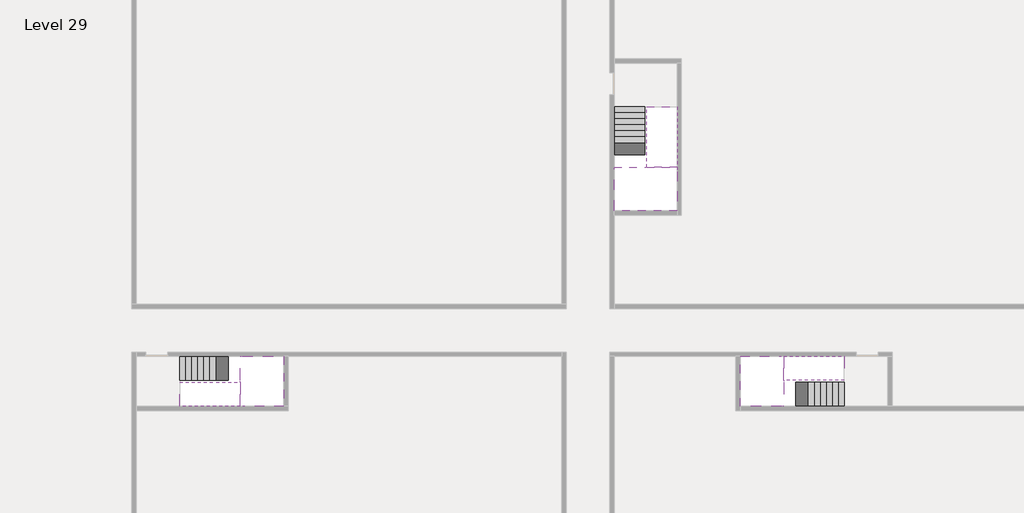
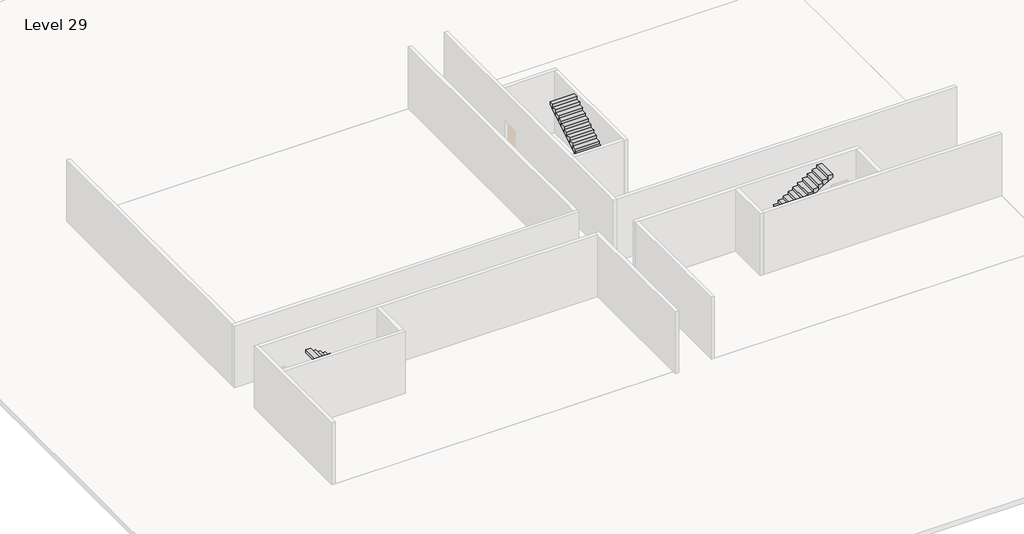
# One storey, part 2 of 2: 6 stair flights, 3 slabs.
"""IFC4 building model written with IfcOpenShell, lengths in millimetres."""

from ifc_helpers import new_model, si_unit, origin, place, context, project, spatial, faceted_brep, element, save

model = new_model("IFC4")

# Units and contexts
model_context = context("Model", 3, world=origin())
ifc_project = project(units=[si_unit("LENGTHUNIT", "METRE", prefix="MILLI")], contexts=[model_context])

# Site, building, storey
site = spatial("IfcSite", under=ifc_project)
building = spatial("IfcBuilding", under=site)
storey = spatial("IfcBuildingStorey", under=building, Name="Level 29", Elevation=106400.0)

# Slabs
placement = place(None, origin())
element("IfcSlab", 1, at=placement, inside=storey, context=model_context, shape_type="Brep", body=[
    faceted_brep([(8190.1058784, -42918.09644, 108300.0), (8190.1058784, -44018.09644, 108300.0), (8190.1058784, -44118.09644, 108300.0), (8190.1058784, -45218.09644, 108300.0), (8390.7194421, -45218.09644, 108300.0), (10190.1058784, -45218.09644, 108300.0), (10190.1058784, -42918.09644, 108300.0), (8269.4923146, -42918.09644, 108300.0), (8190.1058784, -42918.09644, 108127.2727273), (8190.1058784, -42918.09644, 107951.0278478), (8190.1058784, -44018.09644, 107951.0278478), (8190.1058784, -44018.09644, 108000.0), (8190.1058784, -44118.09644, 108000.0), (8190.1058784, -44118.09644, 108123.7551205), (8190.1058784, -45218.09644, 108123.7551205), (8390.7194421, -45218.09644, 108000.0), (10190.1058784, -45218.09644, 108000.0), (10190.1058784, -42918.09644, 108000.0), (8269.4923146, -42918.09644, 108000.0), (8390.7194421, -44118.09644, 108000.0), (8269.4923146, -44018.09644, 108000.0)], [[[0, 1, 2, 3, 4, 5, 6, 7]], [[1, 0, 8, 9, 10, 11]], [[2, 1, 11, 12, 13]], [[3, 2, 13, 14]], [[3, 14, 15, 16, 5, 4]], [[6, 5, 16, 17]], [[9, 8, 0, 7, 6, 17, 18]], [[19, 12, 11, 20, 18, 17, 16, 15]], [[12, 19, 13]], [[18, 20, 10, 9]], [[20, 11, 10]], [[19, 15, 14, 13]]]),
])
element("IfcSlab", 2, at=placement, inside=storey, context=model_context, shape_type="Brep", body=[
    faceted_brep([(33190.1058784, -45218.09644, 108300.0), (33190.1058784, -44118.09644, 108300.0), (33190.1058784, -44018.09644, 108300.0), (33190.1058784, -42918.09644, 108300.0), (32989.4923146, -42918.09644, 108300.0), (31190.1058784, -42918.09644, 108300.0), (31190.1058784, -45218.09644, 108300.0), (33110.7194421, -45218.09644, 108300.0), (33190.1058784, -45218.09644, 108127.2727273), (33190.1058784, -45218.09644, 107951.0278478), (33190.1058784, -44118.09644, 107951.0278478), (33190.1058784, -44118.09644, 108000.0), (33190.1058784, -44018.09644, 108000.0), (33190.1058784, -44018.09644, 108123.7551205), (33190.1058784, -42918.09644, 108123.7551205), (32989.4923146, -42918.09644, 108000.0), (31190.1058784, -42918.09644, 108000.0), (31190.1058784, -45218.09644, 108000.0), (33110.7194421, -45218.09644, 108000.0), (32989.4923146, -44018.09644, 108000.0), (33110.7194421, -44118.09644, 108000.0)], [[[0, 1, 2, 3, 4, 5, 6, 7]], [[1, 0, 8, 9, 10, 11]], [[2, 1, 11, 12, 13]], [[3, 2, 13, 14]], [[3, 14, 15, 16, 5, 4]], [[6, 5, 16, 17]], [[9, 8, 0, 7, 6, 17, 18]], [[19, 12, 11, 20, 18, 17, 16, 15]], [[12, 19, 13]], [[18, 20, 10, 9]], [[20, 11, 10]], [[19, 15, 14, 13]]]),
])
element("IfcSlab", 3, at=placement, inside=storey, context=model_context, shape_type="Brep", body=[
    faceted_brep([(26790.1058784, -34218.09644, 108300.0), (25390.1058784, -34218.09644, 108300.0), (25390.1058784, -34297.4828763, 108300.0), (25390.1058784, -36218.09644, 108300.0), (28290.1058784, -36218.09644, 108300.0), (28290.1058784, -34418.7100038, 108300.0), (28290.1058784, -34218.09644, 108300.0), (26890.1058784, -34218.09644, 108300.0), (26790.1058784, -34218.09644, 108000.0), (26790.1058784, -34218.09644, 107951.0278478), (25390.1058784, -34218.09644, 107951.0278478), (25390.1058784, -34218.09644, 108127.2727273), (25390.1058784, -34297.4828763, 108000.0), (25390.1058784, -36218.09644, 108000.0), (28290.1058784, -36218.09644, 108000.0), (28290.1058784, -34418.7100038, 108000.0), (28290.1058784, -34218.09644, 108123.7551205), (26890.1058784, -34218.09644, 108123.7551205), (26890.1058784, -34218.09644, 108000.0), (26890.1058784, -34418.7100038, 108000.0), (26790.1058784, -34297.4828763, 108000.0)], [[[0, 1, 2, 3, 4, 5, 6, 7]], [[1, 0, 8, 9, 10, 11]], [[1, 11, 10, 12, 13, 3, 2]], [[4, 3, 13, 14]], [[4, 14, 15, 16, 6, 5]], [[7, 6, 16, 17]], [[0, 7, 17, 18, 8]], [[18, 19, 15, 14, 13, 12, 20, 8]], [[19, 18, 17]], [[20, 12, 10, 9]], [[8, 20, 9]], [[15, 19, 17, 16]]]),
])

# Stair flights
element("IfcStairFlight", 4, at=placement, inside=storey, context=model_context, shape_type="Brep", body=[
    faceted_brep([(5670.1058784, -42918.09644, 106572.7272727), (5390.1058784, -42918.09644, 106572.7272727), (5390.1058784, -44018.09644, 106572.7272727), (5670.1058784, -44018.09644, 106572.7272727), (5670.1058784, -42918.09644, 106400.0), (5390.1058784, -42918.09644, 106400.0), (5390.1058784, -44018.09644, 106400.0), (5670.1058784, -44018.09644, 106400.0), (5950.1058784, -42918.09644, 106745.4545455), (5670.1058784, -42918.09644, 106745.4545455), (5670.1058784, -44018.09644, 106745.4545455), (5950.1058784, -44018.09644, 106745.4545455), (5950.1058784, -42918.09644, 106569.209666), (5675.8081041, -42918.09644, 106400.0), (5675.8081041, -44018.09644, 106400.0), (5950.1058784, -44018.09644, 106569.209666), (6230.1058784, -42918.09644, 106918.1818182), (5950.1058784, -42918.09644, 106918.1818182), (5950.1058784, -44018.09644, 106918.1818182), (6230.1058784, -44018.09644, 106918.1818182), (6230.1058784, -42918.09644, 106741.9369387), (6230.1058784, -44018.09644, 106741.9369387), (6510.1058784, -42918.09644, 107090.9090909), (6230.1058784, -42918.09644, 107090.9090909), (6230.1058784, -44018.09644, 107090.9090909), (6510.1058784, -44018.09644, 107090.9090909), (6510.1058784, -42918.09644, 106914.6642114), (6510.1058784, -44018.09644, 106914.6642114), (6790.1058784, -42918.09644, 107263.6363636), (6510.1058784, -42918.09644, 107263.6363636), (6510.1058784, -44018.09644, 107263.6363636), (6790.1058784, -44018.09644, 107263.6363636), (6790.1058784, -42918.09644, 107087.3914841), (6790.1058784, -44018.09644, 107087.3914841), (7070.1058784, -42918.09644, 107436.3636364), (6790.1058784, -42918.09644, 107436.3636364), (6790.1058784, -44018.09644, 107436.3636364), (7070.1058784, -44018.09644, 107436.3636364), (7070.1058784, -42918.09644, 107260.1187569), (7070.1058784, -44018.09644, 107260.1187569), (7350.1058784, -42918.09644, 107609.0909091), (7070.1058784, -42918.09644, 107609.0909091), (7070.1058784, -44018.09644, 107609.0909091), (7350.1058784, -44018.09644, 107609.0909091), (7350.1058784, -42918.09644, 107432.8460296), (7350.1058784, -44018.09644, 107432.8460296), (7630.1058784, -42918.09644, 107781.8181818), (7350.1058784, -42918.09644, 107781.8181818), (7350.1058784, -44018.09644, 107781.8181818), (7630.1058784, -44018.09644, 107781.8181818), (7630.1058784, -42918.09644, 107605.5733023), (7630.1058784, -44018.09644, 107605.5733023), (7910.1058784, -42918.09644, 107954.5454545), (7630.1058784, -42918.09644, 107954.5454545), (7630.1058784, -44018.09644, 107954.5454545), (7910.1058784, -44018.09644, 107954.5454545), (7910.1058784, -42918.09644, 107778.3005751), (7910.1058784, -44018.09644, 107778.3005751), (8190.1058784, -42918.09644, 108127.2727273), (7910.1058784, -42918.09644, 108127.2727273), (7910.1058784, -44018.09644, 108127.2727273), (8190.1058784, -44018.09644, 108127.2727273), (8190.1058784, -42918.09644, 107951.0278478), (8190.1058784, -44018.09644, 107951.0278478), (8190.1058784, -44018.09644, 108000.0)], [[[0, 1, 2, 3]], [[1, 0, 4, 5]], [[2, 1, 5, 6]], [[3, 2, 6, 7]], [[8, 9, 10, 11]], [[4, 0, 9, 8, 12, 13]], [[0, 3, 10, 9]], [[3, 7, 14, 15, 11, 10]], [[16, 17, 18, 19]], [[17, 16, 20, 12, 8]], [[8, 11, 18, 17]], [[19, 18, 11, 15, 21]], [[22, 23, 24, 25]], [[23, 22, 26, 20, 16]], [[16, 19, 24, 23]], [[25, 24, 19, 21, 27]], [[28, 29, 30, 31]], [[29, 28, 32, 26, 22]], [[22, 25, 30, 29]], [[31, 30, 25, 27, 33]], [[34, 35, 36, 37]], [[35, 34, 38, 32, 28]], [[28, 31, 36, 35]], [[37, 36, 31, 33, 39]], [[40, 41, 42, 43]], [[41, 40, 44, 38, 34]], [[34, 37, 42, 41]], [[43, 42, 37, 39, 45]], [[46, 47, 48, 49]], [[47, 46, 50, 44, 40]], [[40, 43, 48, 47]], [[49, 48, 43, 45, 51]], [[52, 53, 54, 55]], [[53, 52, 56, 50, 46]], [[46, 49, 54, 53]], [[55, 54, 49, 51, 57]], [[58, 59, 60, 61]], [[59, 58, 62, 56, 52]], [[52, 55, 60, 59]], [[61, 60, 55, 57, 63, 64]], [[58, 61, 64, 63, 62]], [[5, 4, 13, 14, 7, 6]], [[14, 13, 12, 20, 26, 32, 38, 44, 50, 56, 62, 63, 57, 51, 45, 39, 33, 27, 21, 15]]]),
])
element("IfcStairFlight", 5, at=placement, inside=storey, context=model_context, shape_type="Brep", body=[
    faceted_brep([(7910.1058784, -45218.09644, 108472.7272727), (8190.1058784, -45218.09644, 108472.7272727), (8190.1058784, -44118.09644, 108472.7272727), (7910.1058784, -44118.09644, 108472.7272727), (7910.1058784, -45218.09644, 108296.4823932), (8190.1058784, -45218.09644, 108123.7551205), (8190.1058784, -45218.09644, 108300.0), (8190.1058784, -44118.09644, 108123.7551205), (7910.1058784, -44118.09644, 108296.4823932), (7630.1058784, -45218.09644, 108645.4545455), (7910.1058784, -45218.09644, 108645.4545455), (7910.1058784, -44118.09644, 108645.4545455), (7630.1058784, -44118.09644, 108645.4545455), (7630.1058784, -45218.09644, 108469.209666), (7630.1058784, -44118.09644, 108469.209666), (7350.1058784, -45218.09644, 108818.1818182), (7630.1058784, -45218.09644, 108818.1818182), (7630.1058784, -44118.09644, 108818.1818182), (7350.1058784, -44118.09644, 108818.1818182), (7350.1058784, -45218.09644, 108641.9369387), (7350.1058784, -44118.09644, 108641.9369387), (7070.1058784, -45218.09644, 108990.9090909), (7350.1058784, -45218.09644, 108990.9090909), (7350.1058784, -44118.09644, 108990.9090909), (7070.1058784, -44118.09644, 108990.9090909), (7070.1058784, -45218.09644, 108814.6642114), (7070.1058784, -44118.09644, 108814.6642114), (6790.1058784, -45218.09644, 109163.6363636), (7070.1058784, -45218.09644, 109163.6363636), (7070.1058784, -44118.09644, 109163.6363636), (6790.1058784, -44118.09644, 109163.6363636), (6790.1058784, -45218.09644, 108987.3914841), (6790.1058784, -44118.09644, 108987.3914841), (6510.1058784, -45218.09644, 109336.3636364), (6790.1058784, -45218.09644, 109336.3636364), (6790.1058784, -44118.09644, 109336.3636364), (6510.1058784, -44118.09644, 109336.3636364), (6510.1058784, -45218.09644, 109160.1187569), (6510.1058784, -44118.09644, 109160.1187569), (6230.1058784, -45218.09644, 109509.0909091), (6510.1058784, -45218.09644, 109509.0909091), (6510.1058784, -44118.09644, 109509.0909091), (6230.1058784, -44118.09644, 109509.0909091), (6230.1058784, -45218.09644, 109332.8460296), (6230.1058784, -44118.09644, 109332.8460296), (5950.1058784, -45218.09644, 109681.8181818), (6230.1058784, -45218.09644, 109681.8181818), (6230.1058784, -44118.09644, 109681.8181818), (5950.1058784, -44118.09644, 109681.8181818), (5950.1058784, -45218.09644, 109505.5733023), (5950.1058784, -44118.09644, 109505.5733023), (5670.1058784, -45218.09644, 109854.5454545), (5950.1058784, -45218.09644, 109854.5454545), (5950.1058784, -44118.09644, 109854.5454545), (5670.1058784, -44118.09644, 109854.5454545), (5670.1058784, -45218.09644, 109678.3005751), (5670.1058784, -44118.09644, 109678.3005751), (5390.1058784, -45218.09644, 110027.2727273), (5670.1058784, -45218.09644, 110027.2727273), (5670.1058784, -44118.09644, 110027.2727273), (5390.1058784, -44118.09644, 110027.2727273), (5390.1058784, -45218.09644, 109851.0278478), (5390.1058784, -44118.09644, 109851.0278478)], [[[0, 1, 2, 3]], [[1, 0, 4, 5, 6]], [[2, 1, 6, 5, 7]], [[3, 2, 7, 8]], [[9, 10, 11, 12]], [[10, 9, 13, 4, 0]], [[11, 10, 0, 3]], [[12, 11, 3, 8, 14]], [[15, 16, 17, 18]], [[16, 15, 19, 13, 9]], [[17, 16, 9, 12]], [[18, 17, 12, 14, 20]], [[21, 22, 23, 24]], [[22, 21, 25, 19, 15]], [[23, 22, 15, 18]], [[24, 23, 18, 20, 26]], [[27, 28, 29, 30]], [[28, 27, 31, 25, 21]], [[29, 28, 21, 24]], [[30, 29, 24, 26, 32]], [[33, 34, 35, 36]], [[34, 33, 37, 31, 27]], [[35, 34, 27, 30]], [[36, 35, 30, 32, 38]], [[39, 40, 41, 42]], [[40, 39, 43, 37, 33]], [[41, 40, 33, 36]], [[42, 41, 36, 38, 44]], [[45, 46, 47, 48]], [[46, 45, 49, 43, 39]], [[47, 46, 39, 42]], [[48, 47, 42, 44, 50]], [[51, 52, 53, 54]], [[52, 51, 55, 49, 45]], [[53, 52, 45, 48]], [[54, 53, 48, 50, 56]], [[57, 58, 59, 60]], [[58, 57, 61, 55, 51]], [[59, 58, 51, 54]], [[60, 59, 54, 56, 62]], [[57, 60, 62, 61]], [[5, 4, 13, 19, 25, 31, 37, 43, 49, 55, 61, 62, 56, 50, 44, 38, 32, 26, 20, 14, 8, 7]]]),
])
element("IfcStairFlight", 6, at=placement, inside=storey, context=model_context, shape_type="Brep", body=[
    faceted_brep([(35710.1058784, -45218.09644, 106572.7272727), (35990.1058784, -45218.09644, 106572.7272727), (35990.1058784, -44118.09644, 106572.7272727), (35710.1058784, -44118.09644, 106572.7272727), (35710.1058784, -45218.09644, 106400.0), (35990.1058784, -45218.09644, 106400.0), (35990.1058784, -44118.09644, 106400.0), (35710.1058784, -44118.09644, 106400.0), (35430.1058784, -45218.09644, 106745.4545455), (35710.1058784, -45218.09644, 106745.4545455), (35710.1058784, -44118.09644, 106745.4545455), (35430.1058784, -44118.09644, 106745.4545455), (35430.1058784, -45218.09644, 106569.209666), (35704.4036527, -45218.09644, 106400.0), (35704.4036527, -44118.09644, 106400.0), (35430.1058784, -44118.09644, 106569.209666), (35150.1058784, -45218.09644, 106918.1818182), (35430.1058784, -45218.09644, 106918.1818182), (35430.1058784, -44118.09644, 106918.1818182), (35150.1058784, -44118.09644, 106918.1818182), (35150.1058784, -45218.09644, 106741.9369387), (35150.1058784, -44118.09644, 106741.9369387), (34870.1058784, -45218.09644, 107090.9090909), (35150.1058784, -45218.09644, 107090.9090909), (35150.1058784, -44118.09644, 107090.9090909), (34870.1058784, -44118.09644, 107090.9090909), (34870.1058784, -45218.09644, 106914.6642114), (34870.1058784, -44118.09644, 106914.6642114), (34590.1058784, -45218.09644, 107263.6363636), (34870.1058784, -45218.09644, 107263.6363636), (34870.1058784, -44118.09644, 107263.6363636), (34590.1058784, -44118.09644, 107263.6363636), (34590.1058784, -45218.09644, 107087.3914841), (34590.1058784, -44118.09644, 107087.3914841), (34310.1058784, -45218.09644, 107436.3636364), (34590.1058784, -45218.09644, 107436.3636364), (34590.1058784, -44118.09644, 107436.3636364), (34310.1058784, -44118.09644, 107436.3636364), (34310.1058784, -45218.09644, 107260.1187569), (34310.1058784, -44118.09644, 107260.1187569), (34030.1058784, -45218.09644, 107609.0909091), (34310.1058784, -45218.09644, 107609.0909091), (34310.1058784, -44118.09644, 107609.0909091), (34030.1058784, -44118.09644, 107609.0909091), (34030.1058784, -45218.09644, 107432.8460296), (34030.1058784, -44118.09644, 107432.8460296), (33750.1058784, -45218.09644, 107781.8181818), (34030.1058784, -45218.09644, 107781.8181818), (34030.1058784, -44118.09644, 107781.8181818), (33750.1058784, -44118.09644, 107781.8181818), (33750.1058784, -45218.09644, 107605.5733023), (33750.1058784, -44118.09644, 107605.5733023), (33470.1058784, -45218.09644, 107954.5454545), (33750.1058784, -45218.09644, 107954.5454545), (33750.1058784, -44118.09644, 107954.5454545), (33470.1058784, -44118.09644, 107954.5454545), (33470.1058784, -45218.09644, 107778.3005751), (33470.1058784, -44118.09644, 107778.3005751), (33190.1058784, -45218.09644, 108127.2727273), (33470.1058784, -45218.09644, 108127.2727273), (33470.1058784, -44118.09644, 108127.2727273), (33190.1058784, -44118.09644, 108127.2727273), (33190.1058784, -45218.09644, 107951.0278478), (33190.1058784, -44118.09644, 107951.0278478), (33190.1058784, -44118.09644, 108000.0)], [[[0, 1, 2, 3]], [[1, 0, 4, 5]], [[2, 1, 5, 6]], [[3, 2, 6, 7]], [[8, 9, 10, 11]], [[4, 0, 9, 8, 12, 13]], [[0, 3, 10, 9]], [[3, 7, 14, 15, 11, 10]], [[16, 17, 18, 19]], [[17, 16, 20, 12, 8]], [[8, 11, 18, 17]], [[19, 18, 11, 15, 21]], [[22, 23, 24, 25]], [[23, 22, 26, 20, 16]], [[16, 19, 24, 23]], [[25, 24, 19, 21, 27]], [[28, 29, 30, 31]], [[29, 28, 32, 26, 22]], [[22, 25, 30, 29]], [[31, 30, 25, 27, 33]], [[34, 35, 36, 37]], [[35, 34, 38, 32, 28]], [[28, 31, 36, 35]], [[37, 36, 31, 33, 39]], [[40, 41, 42, 43]], [[41, 40, 44, 38, 34]], [[34, 37, 42, 41]], [[43, 42, 37, 39, 45]], [[46, 47, 48, 49]], [[47, 46, 50, 44, 40]], [[40, 43, 48, 47]], [[49, 48, 43, 45, 51]], [[52, 53, 54, 55]], [[53, 52, 56, 50, 46]], [[46, 49, 54, 53]], [[55, 54, 49, 51, 57]], [[58, 59, 60, 61]], [[59, 58, 62, 56, 52]], [[52, 55, 60, 59]], [[61, 60, 55, 57, 63, 64]], [[58, 61, 64, 63, 62]], [[5, 4, 13, 14, 7, 6]], [[14, 13, 12, 20, 26, 32, 38, 44, 50, 56, 62, 63, 57, 51, 45, 39, 33, 27, 21, 15]]]),
])
element("IfcStairFlight", 7, at=placement, inside=storey, context=model_context, shape_type="Brep", body=[
    faceted_brep([(33470.1058784, -42918.09644, 108472.7272727), (33190.1058784, -42918.09644, 108472.7272727), (33190.1058784, -44018.09644, 108472.7272727), (33470.1058784, -44018.09644, 108472.7272727), (33470.1058784, -42918.09644, 108296.4823932), (33190.1058784, -42918.09644, 108123.7551205), (33190.1058784, -42918.09644, 108300.0), (33190.1058784, -44018.09644, 108123.7551205), (33470.1058784, -44018.09644, 108296.4823932), (33750.1058784, -42918.09644, 108645.4545455), (33470.1058784, -42918.09644, 108645.4545455), (33470.1058784, -44018.09644, 108645.4545455), (33750.1058784, -44018.09644, 108645.4545455), (33750.1058784, -42918.09644, 108469.209666), (33750.1058784, -44018.09644, 108469.209666), (34030.1058784, -42918.09644, 108818.1818182), (33750.1058784, -42918.09644, 108818.1818182), (33750.1058784, -44018.09644, 108818.1818182), (34030.1058784, -44018.09644, 108818.1818182), (34030.1058784, -42918.09644, 108641.9369387), (34030.1058784, -44018.09644, 108641.9369387), (34310.1058784, -42918.09644, 108990.9090909), (34030.1058784, -42918.09644, 108990.9090909), (34030.1058784, -44018.09644, 108990.9090909), (34310.1058784, -44018.09644, 108990.9090909), (34310.1058784, -42918.09644, 108814.6642114), (34310.1058784, -44018.09644, 108814.6642114), (34590.1058784, -42918.09644, 109163.6363636), (34310.1058784, -42918.09644, 109163.6363636), (34310.1058784, -44018.09644, 109163.6363636), (34590.1058784, -44018.09644, 109163.6363636), (34590.1058784, -42918.09644, 108987.3914841), (34590.1058784, -44018.09644, 108987.3914841), (34870.1058784, -42918.09644, 109336.3636364), (34590.1058784, -42918.09644, 109336.3636364), (34590.1058784, -44018.09644, 109336.3636364), (34870.1058784, -44018.09644, 109336.3636364), (34870.1058784, -42918.09644, 109160.1187569), (34870.1058784, -44018.09644, 109160.1187569), (35150.1058784, -42918.09644, 109509.0909091), (34870.1058784, -42918.09644, 109509.0909091), (34870.1058784, -44018.09644, 109509.0909091), (35150.1058784, -44018.09644, 109509.0909091), (35150.1058784, -42918.09644, 109332.8460296), (35150.1058784, -44018.09644, 109332.8460296), (35430.1058784, -42918.09644, 109681.8181818), (35150.1058784, -42918.09644, 109681.8181818), (35150.1058784, -44018.09644, 109681.8181818), (35430.1058784, -44018.09644, 109681.8181818), (35430.1058784, -42918.09644, 109505.5733023), (35430.1058784, -44018.09644, 109505.5733023), (35710.1058784, -42918.09644, 109854.5454545), (35430.1058784, -42918.09644, 109854.5454545), (35430.1058784, -44018.09644, 109854.5454545), (35710.1058784, -44018.09644, 109854.5454545), (35710.1058784, -42918.09644, 109678.3005751), (35710.1058784, -44018.09644, 109678.3005751), (35990.1058784, -42918.09644, 110027.2727273), (35710.1058784, -42918.09644, 110027.2727273), (35710.1058784, -44018.09644, 110027.2727273), (35990.1058784, -44018.09644, 110027.2727273), (35990.1058784, -42918.09644, 109851.0278478), (35990.1058784, -44018.09644, 109851.0278478)], [[[0, 1, 2, 3]], [[1, 0, 4, 5, 6]], [[2, 1, 6, 5, 7]], [[3, 2, 7, 8]], [[9, 10, 11, 12]], [[10, 9, 13, 4, 0]], [[11, 10, 0, 3]], [[12, 11, 3, 8, 14]], [[15, 16, 17, 18]], [[16, 15, 19, 13, 9]], [[17, 16, 9, 12]], [[18, 17, 12, 14, 20]], [[21, 22, 23, 24]], [[22, 21, 25, 19, 15]], [[23, 22, 15, 18]], [[24, 23, 18, 20, 26]], [[27, 28, 29, 30]], [[28, 27, 31, 25, 21]], [[29, 28, 21, 24]], [[30, 29, 24, 26, 32]], [[33, 34, 35, 36]], [[34, 33, 37, 31, 27]], [[35, 34, 27, 30]], [[36, 35, 30, 32, 38]], [[39, 40, 41, 42]], [[40, 39, 43, 37, 33]], [[41, 40, 33, 36]], [[42, 41, 36, 38, 44]], [[45, 46, 47, 48]], [[46, 45, 49, 43, 39]], [[47, 46, 39, 42]], [[48, 47, 42, 44, 50]], [[51, 52, 53, 54]], [[52, 51, 55, 49, 45]], [[53, 52, 45, 48]], [[54, 53, 48, 50, 56]], [[57, 58, 59, 60]], [[58, 57, 61, 55, 51]], [[59, 58, 51, 54]], [[60, 59, 54, 56, 62]], [[57, 60, 62, 61]], [[5, 4, 13, 19, 25, 31, 37, 43, 49, 55, 61, 62, 56, 50, 44, 38, 32, 26, 20, 14, 8, 7]]]),
])
element("IfcStairFlight", 8, at=placement, inside=storey, context=model_context, shape_type="Brep", body=[
    faceted_brep([(26790.1058784, -31698.09644, 106572.7272727), (26790.1058784, -31418.09644, 106572.7272727), (25390.1058784, -31418.09644, 106572.7272727), (25390.1058784, -31698.09644, 106572.7272727), (26790.1058784, -31698.09644, 106400.0), (26790.1058784, -31418.09644, 106400.0), (25390.1058784, -31418.09644, 106400.0), (25390.1058784, -31698.09644, 106400.0), (26790.1058784, -31978.09644, 106745.4545455), (26790.1058784, -31698.09644, 106745.4545455), (25390.1058784, -31698.09644, 106745.4545455), (25390.1058784, -31978.09644, 106745.4545455), (26790.1058784, -31978.09644, 106569.209666), (26790.1058784, -31703.7986657, 106400.0), (25390.1058784, -31703.7986657, 106400.0), (25390.1058784, -31978.09644, 106569.209666), (26790.1058784, -32258.09644, 106918.1818182), (26790.1058784, -31978.09644, 106918.1818182), (25390.1058784, -31978.09644, 106918.1818182), (25390.1058784, -32258.09644, 106918.1818182), (26790.1058784, -32258.09644, 106741.9369387), (25390.1058784, -32258.09644, 106741.9369387), (26790.1058784, -32538.09644, 107090.9090909), (26790.1058784, -32258.09644, 107090.9090909), (25390.1058784, -32258.09644, 107090.9090909), (25390.1058784, -32538.09644, 107090.9090909), (26790.1058784, -32538.09644, 106914.6642114), (25390.1058784, -32538.09644, 106914.6642114), (26790.1058784, -32818.09644, 107263.6363636), (26790.1058784, -32538.09644, 107263.6363636), (25390.1058784, -32538.09644, 107263.6363636), (25390.1058784, -32818.09644, 107263.6363636), (26790.1058784, -32818.09644, 107087.3914841), (25390.1058784, -32818.09644, 107087.3914841), (26790.1058784, -33098.09644, 107436.3636364), (26790.1058784, -32818.09644, 107436.3636364), (25390.1058784, -32818.09644, 107436.3636364), (25390.1058784, -33098.09644, 107436.3636364), (26790.1058784, -33098.09644, 107260.1187569), (25390.1058784, -33098.09644, 107260.1187569), (26790.1058784, -33378.09644, 107609.0909091), (26790.1058784, -33098.09644, 107609.0909091), (25390.1058784, -33098.09644, 107609.0909091), (25390.1058784, -33378.09644, 107609.0909091), (26790.1058784, -33378.09644, 107432.8460296), (25390.1058784, -33378.09644, 107432.8460296), (26790.1058784, -33658.09644, 107781.8181818), (26790.1058784, -33378.09644, 107781.8181818), (25390.1058784, -33378.09644, 107781.8181818), (25390.1058784, -33658.09644, 107781.8181818), (26790.1058784, -33658.09644, 107605.5733023), (25390.1058784, -33658.09644, 107605.5733023), (26790.1058784, -33938.09644, 107954.5454545), (26790.1058784, -33658.09644, 107954.5454545), (25390.1058784, -33658.09644, 107954.5454545), (25390.1058784, -33938.09644, 107954.5454545), (26790.1058784, -33938.09644, 107778.3005751), (25390.1058784, -33938.09644, 107778.3005751), (26790.1058784, -34218.09644, 108127.2727273), (26790.1058784, -33938.09644, 108127.2727273), (25390.1058784, -33938.09644, 108127.2727273), (25390.1058784, -34218.09644, 108127.2727273), (26790.1058784, -34218.09644, 108000.0), (26790.1058784, -34218.09644, 107951.0278478), (25390.1058784, -34218.09644, 107951.0278478)], [[[0, 1, 2, 3]], [[1, 0, 4, 5]], [[2, 1, 5, 6]], [[3, 2, 6, 7]], [[8, 9, 10, 11]], [[4, 0, 9, 8, 12, 13]], [[0, 3, 10, 9]], [[3, 7, 14, 15, 11, 10]], [[16, 17, 18, 19]], [[17, 16, 20, 12, 8]], [[8, 11, 18, 17]], [[19, 18, 11, 15, 21]], [[22, 23, 24, 25]], [[23, 22, 26, 20, 16]], [[16, 19, 24, 23]], [[25, 24, 19, 21, 27]], [[28, 29, 30, 31]], [[29, 28, 32, 26, 22]], [[22, 25, 30, 29]], [[31, 30, 25, 27, 33]], [[34, 35, 36, 37]], [[35, 34, 38, 32, 28]], [[28, 31, 36, 35]], [[37, 36, 31, 33, 39]], [[40, 41, 42, 43]], [[41, 40, 44, 38, 34]], [[34, 37, 42, 41]], [[43, 42, 37, 39, 45]], [[46, 47, 48, 49]], [[47, 46, 50, 44, 40]], [[40, 43, 48, 47]], [[49, 48, 43, 45, 51]], [[52, 53, 54, 55]], [[53, 52, 56, 50, 46]], [[46, 49, 54, 53]], [[55, 54, 49, 51, 57]], [[58, 59, 60, 61]], [[59, 58, 62, 63, 56, 52]], [[52, 55, 60, 59]], [[61, 60, 55, 57, 64]], [[58, 61, 64, 63, 62]], [[5, 4, 13, 14, 7, 6]], [[14, 13, 12, 20, 26, 32, 38, 44, 50, 56, 63, 64, 57, 51, 45, 39, 33, 27, 21, 15]]]),
])
element("IfcStairFlight", 9, at=placement, inside=storey, context=model_context, shape_type="Brep", body=[
    faceted_brep([(26890.1058784, -33938.09644, 108472.7272727), (26890.1058784, -34218.09644, 108472.7272727), (28290.1058784, -34218.09644, 108472.7272727), (28290.1058784, -33938.09644, 108472.7272727), (26890.1058784, -33938.09644, 108296.4823932), (26890.1058784, -34218.09644, 108123.7551205), (28290.1058784, -34218.09644, 108123.7551205), (28290.1058784, -34218.09644, 108300.0), (28290.1058784, -33938.09644, 108296.4823932), (26890.1058784, -33658.09644, 108645.4545455), (26890.1058784, -33938.09644, 108645.4545455), (28290.1058784, -33938.09644, 108645.4545455), (28290.1058784, -33658.09644, 108645.4545455), (26890.1058784, -33658.09644, 108469.209666), (28290.1058784, -33658.09644, 108469.209666), (26890.1058784, -33378.09644, 108818.1818182), (26890.1058784, -33658.09644, 108818.1818182), (28290.1058784, -33658.09644, 108818.1818182), (28290.1058784, -33378.09644, 108818.1818182), (26890.1058784, -33378.09644, 108641.9369387), (28290.1058784, -33378.09644, 108641.9369387), (26890.1058784, -33098.09644, 108990.9090909), (26890.1058784, -33378.09644, 108990.9090909), (28290.1058784, -33378.09644, 108990.9090909), (28290.1058784, -33098.09644, 108990.9090909), (26890.1058784, -33098.09644, 108814.6642114), (28290.1058784, -33098.09644, 108814.6642114), (26890.1058784, -32818.09644, 109163.6363636), (26890.1058784, -33098.09644, 109163.6363636), (28290.1058784, -33098.09644, 109163.6363636), (28290.1058784, -32818.09644, 109163.6363636), (26890.1058784, -32818.09644, 108987.3914841), (28290.1058784, -32818.09644, 108987.3914841), (26890.1058784, -32538.09644, 109336.3636364), (26890.1058784, -32818.09644, 109336.3636364), (28290.1058784, -32818.09644, 109336.3636364), (28290.1058784, -32538.09644, 109336.3636364), (26890.1058784, -32538.09644, 109160.1187569), (28290.1058784, -32538.09644, 109160.1187569), (26890.1058784, -32258.09644, 109509.0909091), (26890.1058784, -32538.09644, 109509.0909091), (28290.1058784, -32538.09644, 109509.0909091), (28290.1058784, -32258.09644, 109509.0909091), (26890.1058784, -32258.09644, 109332.8460296), (28290.1058784, -32258.09644, 109332.8460296), (26890.1058784, -31978.09644, 109681.8181818), (26890.1058784, -32258.09644, 109681.8181818), (28290.1058784, -32258.09644, 109681.8181818), (28290.1058784, -31978.09644, 109681.8181818), (26890.1058784, -31978.09644, 109505.5733023), (28290.1058784, -31978.09644, 109505.5733023), (26890.1058784, -31698.09644, 109854.5454545), (26890.1058784, -31978.09644, 109854.5454545), (28290.1058784, -31978.09644, 109854.5454545), (28290.1058784, -31698.09644, 109854.5454545), (26890.1058784, -31698.09644, 109678.3005751), (28290.1058784, -31698.09644, 109678.3005751), (26890.1058784, -31418.09644, 110027.2727273), (26890.1058784, -31698.09644, 110027.2727273), (28290.1058784, -31698.09644, 110027.2727273), (28290.1058784, -31418.09644, 110027.2727273), (26890.1058784, -31418.09644, 109851.0278478), (28290.1058784, -31418.09644, 109851.0278478)], [[[0, 1, 2, 3]], [[1, 0, 4, 5]], [[2, 1, 5, 6, 7]], [[3, 2, 7, 6, 8]], [[9, 10, 11, 12]], [[10, 9, 13, 4, 0]], [[11, 10, 0, 3]], [[12, 11, 3, 8, 14]], [[15, 16, 17, 18]], [[16, 15, 19, 13, 9]], [[17, 16, 9, 12]], [[18, 17, 12, 14, 20]], [[21, 22, 23, 24]], [[22, 21, 25, 19, 15]], [[23, 22, 15, 18]], [[24, 23, 18, 20, 26]], [[27, 28, 29, 30]], [[28, 27, 31, 25, 21]], [[29, 28, 21, 24]], [[30, 29, 24, 26, 32]], [[33, 34, 35, 36]], [[34, 33, 37, 31, 27]], [[35, 34, 27, 30]], [[36, 35, 30, 32, 38]], [[39, 40, 41, 42]], [[40, 39, 43, 37, 33]], [[41, 40, 33, 36]], [[42, 41, 36, 38, 44]], [[45, 46, 47, 48]], [[46, 45, 49, 43, 39]], [[47, 46, 39, 42]], [[48, 47, 42, 44, 50]], [[51, 52, 53, 54]], [[52, 51, 55, 49, 45]], [[53, 52, 45, 48]], [[54, 53, 48, 50, 56]], [[57, 58, 59, 60]], [[58, 57, 61, 55, 51]], [[59, 58, 51, 54]], [[60, 59, 54, 56, 62]], [[57, 60, 62, 61]], [[5, 4, 13, 19, 25, 31, 37, 43, 49, 55, 61, 62, 56, 50, 44, 38, 32, 26, 20, 14, 8, 6]]]),
])

save(model, "model.ifc")
